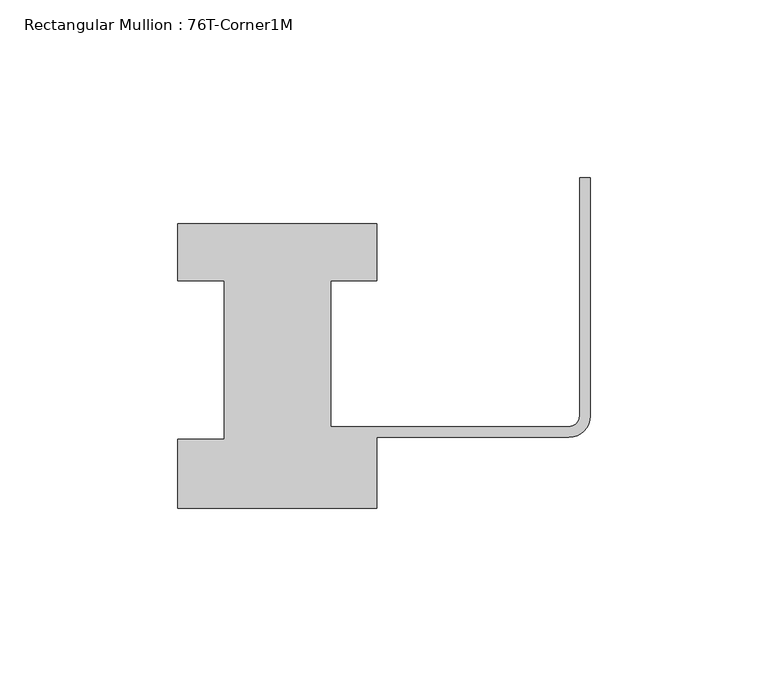
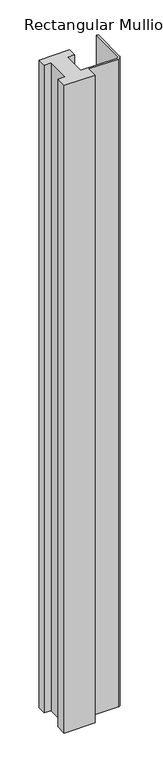
"""IFC4 building model written with IfcOpenShell, lengths in millimetres: member geometry, Rectangular Mullion : 76T-Corner1M."""

from ifc_helpers import new_model, si_unit, point, frame, frame_2d, origin, place, context, project, spatial, polyline, circle_curve, trimmed, segment, composite_curve, outline, extrude, source, transform, mapped, element, save


def rectangular_mullion_76t_corner1m_7bee1332(model_context):
    return source(origin(), model_context, "Body", "SweptSolid", [
        extrude(outline(composite_curve([segment(polyline([(-116.0, 44.0), (-116.0, 60.0), (-60.0, 60.0), (-60.0, 44.0), (-73.0, 44.0), (-73.0, 3.0), (-6.0, 3.0)]), True, "CONTINUOUS"), segment(trimmed(circle_curve(frame_2d((-6.0, 6.0)), 3.0), [point((-6.0, 3.0))], [point((-3.0, 6.0))], True, "CARTESIAN"), True, "CONTINUOUS"), segment(polyline([(-3.0, 6.0), (-3.0, 73.0), (0.0, 73.0), (0.0, 6.0)]), True, "CONTINUOUS"), segment(trimmed(circle_curve(frame_2d((-6.0, 6.0)), 6.0), [point((0.0, 6.0))], [point((-6.0, 0.0))], False, "CARTESIAN"), True, "CONTINUOUS"), segment(polyline([(-6.0, 0.0), (-60.0, 0.0), (-60.0, -20.0), (-116.0, -20.0), (-116.0, -0.5), (-103.0, -0.5), (-103.0, 44.0), (-116.0, 44.0)]), True, "CONTINUOUS")], self_intersect=False)), frame((0.0, 0.0, -1246.465707), z_axis=(0.0, 0.0, 1.0), x_axis=(1.0, 0.0, 0.0)), (0.0, 0.0, 1.0), 1246.465707),
    ])


if __name__ == "__main__":
    model = new_model("IFC4")
    model_context = context("Model", 3, world=origin())
    ifc_project = project(units=[si_unit("LENGTHUNIT", "METRE", prefix="MILLI")], contexts=[model_context])
    site = spatial("IfcSite", under=ifc_project)
    building = spatial("IfcBuilding", under=site)
    placement = place(None, origin())
    rectangular_mullion_76t_corner1m_shape = rectangular_mullion_76t_corner1m_7bee1332(model_context)
    element("IfcMember", 1, ObjectType="Rectangular Mullion : 76T-Corner1M", at=placement, inside=building, context=model_context, shape_type="MappedRepresentation", body=[
        mapped(rectangular_mullion_76t_corner1m_shape, transform((0.0, 0.0, 0.0), x_axis=(1.0, 0.0, 0.0), y_axis=(0.0, 1.0, 0.0), z_axis=(0.0, 0.0, 1.0))),
    ])
    save(model, "model.ifc")
